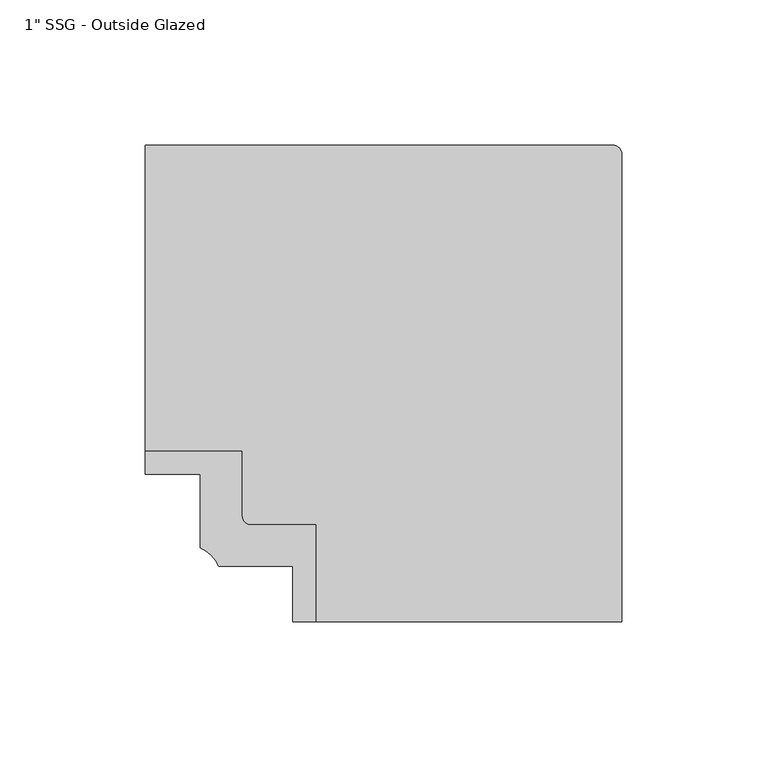
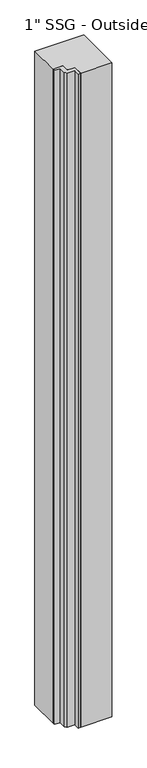
"""IFC4 building model written with IfcOpenShell, lengths in millimetres: proxy geometry."""

import ifcopenshell
import ifcopenshell.guid

model = None  # the IFC model being written
_history = None  # IfcOwnerHistory: only IFC2X3 demands one
_inside = {}  # id of a spatial element -> (the spatial element, [elements in it])
_under = {}  # id of a project, library or spatial element -> (it, [spatial elements below it])
_declared = {}  # id of a project -> (the project, [libraries it declares])
_typed = {}  # id of a type object -> (the type object, [elements of that type])
_made_of = {}  # id of a material, layer set ... -> (it, [elements and type objects made of it])


def new_model(schema):
    """Start an empty IFC model of exactly this schema.

    Asked for "IFC4X3", IfcOpenShell would pick the latest addendum, in which some entities
    have other attributes; the version numbers below select the first issue.
    IFC2X3 requires an IfcOwnerHistory on every rooted entity: one is made here for all.
    """
    global model, _history
    if schema == "IFC4X3":
        model = ifcopenshell.file(schema_version=(4, 3, 0, 0))
    else:
        model = ifcopenshell.file(schema=schema)
    _inside.clear()
    _under.clear()
    _declared.clear()
    _typed.clear()
    _made_of.clear()
    _history = None
    if model.schema == "IFC2X3":
        org = make("IfcOrganization", Name="unknown")
        user = make(
            "IfcPersonAndOrganization",
            ThePerson=make("IfcPerson", FamilyName="unknown"),
            TheOrganization=org,
        )
        app = make(
            "IfcApplication",
            ApplicationDeveloper=org,
            Version="unknown",
            ApplicationFullName="unknown",
            ApplicationIdentifier="unknown",
        )
        _history = make(
            "IfcOwnerHistory",
            OwningUser=user,
            OwningApplication=app,
            ChangeAction="ADDED",
            CreationDate=0,
        )
    return model


def make(cls, **values):
    """One entity of the class cls with the attributes given. An attribute that is None is left unset."""
    return model.create_entity(
        cls, **{name: value for name, value in values.items() if value is not None}
    )


def rooted(cls, **values):
    """An entity with a GlobalId (a new one), such as an element, a storey or a relation."""
    return make(cls, GlobalId=ifcopenshell.guid.new(), OwnerHistory=_history, **values)


def si_unit(unit_type, name, prefix=None):
    """IfcSIUnit, for example si_unit("LENGTHUNIT", "METRE", prefix="MILLI")."""
    return make("IfcSIUnit", UnitType=unit_type, Prefix=prefix, Name=name)


def assignment(units):
    """IfcUnitAssignment: the units of a project."""
    return None if units is None else make("IfcUnitAssignment", Units=units)


def point(xyz):
    """IfcCartesianPoint."""
    return None if xyz is None else make("IfcCartesianPoint", Coordinates=xyz)


def direction(xyz):
    """IfcDirection."""
    return None if xyz is None else make("IfcDirection", DirectionRatios=xyz)


def frame(location, z_axis=None, x_axis=None):
    """IfcAxis2Placement3D, a coordinate frame: its origin and axes. An axis left out is left unset."""
    return make(
        "IfcAxis2Placement3D",
        Location=point(location),
        Axis=direction(z_axis),
        RefDirection=direction(x_axis),
    )


def frame_2d(location, x_axis=None):
    """IfcAxis2Placement2D, a coordinate frame in the plane: its origin and x axis."""
    return make(
        "IfcAxis2Placement2D", Location=point(location), RefDirection=direction(x_axis)
    )


def origin():
    """The frame at (0, 0, 0) with its axes left unset."""
    return frame((0.0, 0.0, 0.0))


def place(relative_to, where):
    """IfcLocalPlacement: puts the frame where relative to a parent placement (None: the world)."""
    return make(
        "IfcLocalPlacement", PlacementRelTo=relative_to, RelativePlacement=where
    )


def context(
    kind, dimensions, precision=None, world=None, true_north=None, identifier=None
):
    """IfcGeometricRepresentationContext, for example the 3D "Model" context."""
    return make(
        "IfcGeometricRepresentationContext",
        ContextIdentifier=identifier,
        ContextType=kind,
        CoordinateSpaceDimension=dimensions,
        Precision=precision,
        WorldCoordinateSystem=world,
        TrueNorth=true_north,
    )


def project(units=None, contexts=None):
    """IfcProject with its units and contexts."""
    return rooted(
        "IfcProject",
        Name="project",
        RepresentationContexts=contexts,
        UnitsInContext=assignment(units),
    )


def spatial(cls, under=None, at=None, **own):
    """A site, building, storey or space (cls), placed at a placement, below another one or the project."""
    s = rooted(cls, ObjectPlacement=at, **own)
    if under is not None:
        _under.setdefault(under.id(), (under, []))[1].append(s)
    return s


def polyline(points):
    """IfcPolyline through the points."""
    return make("IfcPolyline", Points=[point(p) for p in points])


def circle_curve(where, radius):
    """IfcCircle in the frame where."""
    return make("IfcCircle", Position=where, Radius=radius)


def trimmed(basis, trim1, trim2, sense, master):
    """IfcTrimmedCurve: the piece of a basis curve between two trims."""
    return make(
        "IfcTrimmedCurve",
        BasisCurve=basis,
        Trim1=trim1,
        Trim2=trim2,
        SenseAgreement=sense,
        MasterRepresentation=master,
    )


def segment(curve, same_sense, transition):
    """IfcCompositeCurveSegment."""
    return make(
        "IfcCompositeCurveSegment",
        Transition=transition,
        SameSense=same_sense,
        ParentCurve=curve,
    )


def composite_curve(segments, self_intersect=None):
    """IfcCompositeCurve: segments joined end to end."""
    return make("IfcCompositeCurve", Segments=segments, SelfIntersect=self_intersect)


def outline(outer, holes=None, kind="AREA"):
    """IfcArbitraryClosedProfileDef: a profile drawn as a closed curve; with holes, ...WithVoids."""
    if holes is None:
        return make("IfcArbitraryClosedProfileDef", ProfileType=kind, OuterCurve=outer)
    return make(
        "IfcArbitraryProfileDefWithVoids",
        ProfileType=kind,
        OuterCurve=outer,
        InnerCurves=holes,
    )


def extrude(swept, where, along, depth):
    """IfcExtrudedAreaSolid: the profile swept, set in the frame where, extruded along a direction by depth."""
    return make(
        "IfcExtrudedAreaSolid",
        SweptArea=swept,
        Position=where,
        ExtrudedDirection=direction(along),
        Depth=depth,
    )


def shape(context_of_items, identifier, shape_type, items):
    """IfcShapeRepresentation: the items that make up one representation, for example the "Body"."""
    return make(
        "IfcShapeRepresentation",
        ContextOfItems=context_of_items,
        RepresentationIdentifier=identifier,
        RepresentationType=shape_type,
        Items=items,
    )


def source(mapping_origin, context_of_items, identifier, shape_type, items):
    """IfcRepresentationMap: a shape defined once, which mapped items show again and again."""
    return make(
        "IfcRepresentationMap",
        MappingOrigin=mapping_origin,
        MappedRepresentation=shape(context_of_items, identifier, shape_type, items),
    )


def transform(
    local_origin,
    x_axis=None,
    y_axis=None,
    z_axis=None,
    scale=None,
    scale2=None,
    scale3=None,
    uniform=True,
):
    """IfcCartesianTransformationOperator3D, or its non-uniform kind. x_axis, y_axis, z_axis: its Axis1, 2, 3."""
    if uniform:
        return make(
            "IfcCartesianTransformationOperator3D",
            Axis1=direction(x_axis),
            Axis2=direction(y_axis),
            LocalOrigin=point(local_origin),
            Scale=scale,
            Axis3=direction(z_axis),
        )
    return make(
        "IfcCartesianTransformationOperator3DnonUniform",
        Axis1=direction(x_axis),
        Axis2=direction(y_axis),
        LocalOrigin=point(local_origin),
        Scale=scale,
        Axis3=direction(z_axis),
        Scale2=scale2,
        Scale3=scale3,
    )


def mapped(mapping_source, mapping_target):
    """IfcMappedItem: shows the shape of a source again, moved by a transform."""
    return make(
        "IfcMappedItem", MappingSource=mapping_source, MappingTarget=mapping_target
    )


def made_of(thing, what):
    """Note that an element or type object is made of a material, layer set ...; save() writes the relation."""
    if what is not None:
        _made_of.setdefault(what.id(), (what, []))[1].append(thing)
    return thing


def element(
    cls,
    number,
    at=None,
    inside=None,
    cuts=None,
    type_object=None,
    material=None,
    context=None,
    identifier="Body",
    shape_type=None,
    held_by="IfcProductDefinitionShape",
    body=None,
    shapes=None,
    **own,
):
    """One element of the class cls, such as IfcWall. Its Tag is "e" and its number.

    at: its placement. inside: the storey or other place that contains it. cuts: it is an
    opening in that element (IfcRelVoidsElement). A single representation is given by context,
    identifier, shape_type and body (its items); several are given by shapes. held_by: the class
    of the entity that holds the representations. save() writes the other relations.
    """
    e = rooted(cls, Tag="e%d" % number, ObjectPlacement=at, **own)
    if body is not None:
        shapes = [shape(context, identifier, shape_type, body)]
    if shapes is not None:
        e.Representation = make(held_by, Representations=shapes)
    if inside is not None:
        _inside.setdefault(inside.id(), (inside, []))[1].append(e)
    if cuts is not None:
        rooted(
            "IfcRelVoidsElement", RelatingBuildingElement=cuts, RelatedOpeningElement=e
        )
    if type_object is not None:
        _typed.setdefault(type_object.id(), (type_object, []))[1].append(e)
    return made_of(e, material)


def aggregate(whole, parts):
    """IfcRelAggregates: a whole, such as a stair, and the parts it consists of."""
    return rooted("IfcRelAggregates", RelatingObject=whole, RelatedObjects=parts)


def save(model, path):
    """Write the relations noted so far, then the file.

    IfcRelAggregates (storeys below a building ...), IfcRelContainedInSpatialStructure (elements
    in a storey), IfcRelDefinesByType, IfcRelAssociatesMaterial and IfcRelDeclares: one each for
    every whole, place, type object, material and project.
    """
    for whole, parts in _under.values():
        aggregate(whole, parts)
    for where, things in _inside.values():
        rooted(
            "IfcRelContainedInSpatialStructure",
            RelatedElements=things,
            RelatingStructure=where,
        )
    for kind, things in _typed.values():
        rooted("IfcRelDefinesByType", RelatedObjects=things, RelatingType=kind)
    for what, things in _made_of.values():
        rooted("IfcRelAssociatesMaterial", RelatedObjects=things, RelatingMaterial=what)
    for by, libraries in _declared.values():
        rooted("IfcRelDeclares", RelatingContext=by, RelatedDefinitions=libraries)
    model.write(path)


def plane_surface(at):
    """IfcPlane: the flat surface through the origin of the frame at, square to its z axis."""
    return make("IfcPlane", Position=at)


def cylinder_surface(at, radius):
    """IfcCylindricalSurface: all points at the distance radius from the z axis of the frame at."""
    return make("IfcCylindricalSurface", Position=at, Radius=radius)


def advanced_brep(points, edges, surfaces, faces):
    """IfcAdvancedBrep: a solid bounded by faces that lie on surfaces and meet in shared edges.

    An edge is (start, end): straight between two places in points (the first is 0);
    or (start, end, curve); or (start, end, curve, False) where it runs against its curve.
    A face is (place in surfaces, loops), or (place, loops, False) where it looks against
    its surface's normal. A loop lists edges by number (the first is 1), with a minus sign
    where the edge is run from its end to its start. The first loop is the outer one.
    """
    corners = [point(p) for p in points]
    vertices = [make("IfcVertexPoint", VertexGeometry=c) for c in corners]
    made = []
    for start, end, *more in edges:
        made.append(
            make(
                "IfcEdgeCurve",
                EdgeStart=vertices[start],
                EdgeEnd=vertices[end],
                EdgeGeometry=more[0] if more else make("IfcPolyline", Points=[corners[start], corners[end]]),
                SameSense=more[1] if len(more) > 1 else True,
            )
        )
    hull = []
    for where, loops, *sense in faces:
        bounds = []
        for j, loop in enumerate(loops):
            ring = [make("IfcOrientedEdge", EdgeElement=made[abs(k) - 1], Orientation=k > 0) for k in loop]
            bounds.append(
                make(
                    "IfcFaceOuterBound" if j == 0 else "IfcFaceBound",
                    Bound=make("IfcEdgeLoop", EdgeList=ring),
                    Orientation=True,
                )
            )
        hull.append(make("IfcAdvancedFace", Bounds=bounds, FaceSurface=surfaces[where], SameSense=sense[0] if sense else True))
    return make("IfcAdvancedBrep", Outer=make("IfcClosedShell", CfsFaces=hull))


def proxy_e053237a(model_context):
    return source(origin(), model_context, "Body", "SolidModel", [
        extrude(outline(composite_curve([segment(polyline([(-25.3999908, 25.3633181), (-25.3999908, 33.3041571), (7.9163844, 33.3041571), (7.9163844, 11.1087102)]), True, "CONTINUOUS"), segment(trimmed(circle_curve(frame_2d((11.1030572, 11.1087102)), 3.1866728), [point((7.9163844, 11.1087102))], [point((11.1030572, 7.9220374))], True, "CARTESIAN"), True, "CONTINUOUS"), segment(polyline([(11.1030572, 7.9220374), (33.3163844, 7.9220374), (33.3163844, -25.4084081), (25.4, -25.4084081), (25.4, -6.3622273), (0.0, -6.3622273)]), True, "CONTINUOUS"), segment(trimmed(circle_curve(frame_2d((-11.6045683, -11.6167956)), 12.7387791), [point((0.0, -6.3622273))], [point((-6.35, -0.0122273))], True, "CARTESIAN"), True, "CONTINUOUS"), segment(polyline([(-6.35, -0.0122273), (-6.35, 25.3633181), (-25.3999908, 25.3633181)]), True, "CONTINUOUS")], self_intersect=False)), frame((0.0, 0.0, 63.5), z_axis=(0.0, 0.0, 1.0), x_axis=(1.0, 0.0, 0.0)), (0.0, 0.0, 1.0), 2324.1),
        advanced_brep(
        [(-25.3999908, 33.3041571, 2387.6), (7.9163844, 33.3041571, 2387.6), (7.9163844, 11.1087102, 2387.6), (11.1030572, 7.9220374, 2387.6), (33.3163844, 7.9220374, 2387.6), (33.3163844, -25.4084081, 2387.6), (138.726322, -25.4084081, 2387.6), (138.726322, 135.4289405, 2387.6), (135.5532035, 138.7132286, 2387.6), (-25.3999908, 138.7141571, 2387.6), (-25.3999908, 33.3041571, 63.5), (-25.3999908, 138.7141571, 63.5), (135.5532035, 138.7141571, 63.5), (138.726322, 135.4289405, 63.5), (138.726322, -25.4084081, 63.5), (33.3163844, -25.4084081, 63.5), (33.3163844, 7.9220374, 63.5), (11.1030572, 7.9220374, 63.5), (7.9163844, 11.1087102, 63.5), (7.9163844, 33.3041571, 63.5)],
        [
            (0, 1),
            (1, 2),
            (2, 3, circle_curve(frame((11.1030572, 11.1087102, 2387.6), z_axis=(0.0, 0.0, 1.0), x_axis=(1.0, 0.0, 0.0)), 3.1866728)),
            (3, 4),
            (4, 5),
            (5, 6),
            (6, 7),
            (7, 8, circle_curve(frame((135.5532035, 135.5382286, 2387.6), z_axis=(0.0, 0.0, 1.0), x_axis=(1.0, 0.0, 0.0)), 3.175)),
            (8, 9),
            (9, 0),
            (10, 11),
            (11, 12),
            (12, 13, circle_curve(frame((135.5532035, 135.5382286, 63.5), z_axis=(0.0, 0.0, -1.0), x_axis=(1.0, 0.0, 0.0)), 3.175)),
            (13, 14),
            (14, 15),
            (15, 16),
            (16, 17),
            (17, 18, circle_curve(frame((11.1030572, 11.1087102, 63.5), z_axis=(0.0, 0.0, -1.0), x_axis=(1.0, 0.0, 0.0)), 3.1866728)),
            (18, 19),
            (19, 10),
            (0, 10),
            (19, 1),
            (18, 2),
            (3, 17),
            (16, 4),
            (15, 5),
            (14, 6),
            (13, 7),
            (12, 8),
            (11, 9),
        ],
        [
            plane_surface(frame((-2.0317379, 33.3041571, 2387.6), z_axis=(0.0, 0.0, 1.0), x_axis=(1.0, 0.0, 0.0))),
            plane_surface(frame((-2.0317379, 33.3041571, 63.5), z_axis=(0.0, 0.0, -1.0), x_axis=(-1.0, 0.0, 0.0))),
            plane_surface(frame((-25.3999908, 33.3041571, 2387.6), z_axis=(0.0, -1.0, 0.0), x_axis=(0.0, 0.0, -1.0))),
            plane_surface(frame((7.9163844, 33.3041571, 2387.6), z_axis=(-1.0, 0.0, 0.0), x_axis=(0.0, 0.0, -1.0))),
            plane_surface(frame((11.1030572, 7.9220374, 2387.6), z_axis=(0.0, -1.0, 0.0), x_axis=(0.0, 0.0, -1.0))),
            plane_surface(frame((33.3163844, 7.9220374, 2387.6), z_axis=(-1.0, 0.0, 0.0), x_axis=(0.0, 0.0, -1.0))),
            plane_surface(frame((33.3163844, -25.4084081, 2387.6), z_axis=(0.0, -1.0, 0.0), x_axis=(0.0, 0.0, -1.0))),
            plane_surface(frame((138.726322, -25.4084081, 2387.6), z_axis=(1.0, 0.0, 0.0), x_axis=(0.0, 0.0, -1.0))),
            cylinder_surface(frame((135.5532035, 135.5382286, 63.5), z_axis=(0.0, 0.0, 1.0), x_axis=(1.0, 0.0, 0.0)), 3.175),
            plane_surface(frame((135.5532035, 138.7141571, 2387.6), z_axis=(0.0, 1.0, 0.0), x_axis=(0.0, 0.0, -1.0))),
            plane_surface(frame((-25.3999908, 138.7141571, 2387.6), z_axis=(-1.0, 0.0, 0.0), x_axis=(0.0, 0.0, -1.0))),
            cylinder_surface(frame((11.1030572, 11.1087102, 63.5), z_axis=(0.0, 0.0, 1.0), x_axis=(1.0, 0.0, 0.0)), 3.1866728),
        ],
        [
            (0, [[1, 2, 3, 4, 5, 6, 7, 8, 9, 10]]),
            (1, [[11, 12, 13, 14, 15, 16, 17, 18, 19, 20]]),
            (2, [[-1, 21, -20, 22]]),
            (3, [[-2, -22, -19, 23]]),
            (4, [[-4, 24, -17, 25]]),
            (5, [[-5, -25, -16, 26]]),
            (6, [[-6, -26, -15, 27]]),
            (7, [[-7, -27, -14, 28]]),
            (8, [[-8, -28, -13, 29]]),
            (9, [[-9, -29, -12, 30]]),
            (10, [[-10, -30, -11, -21]]),
            (11, [[-3, -23, -18, -24]]),
        ],
    ),
    ])


if __name__ == "__main__":
    model = new_model("IFC4")
    model_context = context("Model", 3, world=origin())
    ifc_project = project(units=[si_unit("LENGTHUNIT", "METRE", prefix="MILLI")], contexts=[model_context])
    site = spatial("IfcSite", under=ifc_project)
    building = spatial("IfcBuilding", under=site)
    placement = place(None, origin())
    proxy_shape = proxy_e053237a(model_context)
    element("IfcBuildingElementProxy", 1, Name="1\" SSG - Outside Glazed", ObjectType="1\" SSG - Outside Glazed", at=placement, inside=building, context=model_context, shape_type="MappedRepresentation", body=[
        mapped(proxy_shape, transform((0.0, 0.0, 0.0), x_axis=(1.0, 0.0, 0.0), y_axis=(0.0, 1.0, 0.0), z_axis=(0.0, 0.0, 1.0))),
    ])
    save(model, "model.ifc")
